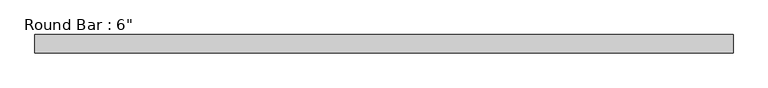
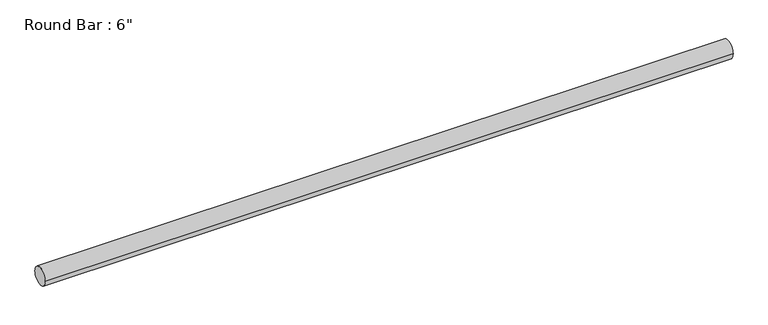
"""IFC4 building model written with IfcOpenShell, lengths in millimetres: beam geometry."""

import ifcopenshell
import ifcopenshell.guid

model = None  # the IFC model being written
_history = None  # IfcOwnerHistory: only IFC2X3 demands one
_inside = {}  # id of a spatial element -> (the spatial element, [elements in it])
_under = {}  # id of a project, library or spatial element -> (it, [spatial elements below it])
_declared = {}  # id of a project -> (the project, [libraries it declares])
_typed = {}  # id of a type object -> (the type object, [elements of that type])
_made_of = {}  # id of a material, layer set ... -> (it, [elements and type objects made of it])


def new_model(schema):
    """Start an empty IFC model of exactly this schema.

    Asked for "IFC4X3", IfcOpenShell would pick the latest addendum, in which some entities
    have other attributes; the version numbers below select the first issue.
    IFC2X3 requires an IfcOwnerHistory on every rooted entity: one is made here for all.
    """
    global model, _history
    if schema == "IFC4X3":
        model = ifcopenshell.file(schema_version=(4, 3, 0, 0))
    else:
        model = ifcopenshell.file(schema=schema)
    _inside.clear()
    _under.clear()
    _declared.clear()
    _typed.clear()
    _made_of.clear()
    _history = None
    if model.schema == "IFC2X3":
        org = make("IfcOrganization", Name="unknown")
        user = make(
            "IfcPersonAndOrganization",
            ThePerson=make("IfcPerson", FamilyName="unknown"),
            TheOrganization=org,
        )
        app = make(
            "IfcApplication",
            ApplicationDeveloper=org,
            Version="unknown",
            ApplicationFullName="unknown",
            ApplicationIdentifier="unknown",
        )
        _history = make(
            "IfcOwnerHistory",
            OwningUser=user,
            OwningApplication=app,
            ChangeAction="ADDED",
            CreationDate=0,
        )
    return model


def make(cls, **values):
    """One entity of the class cls with the attributes given. An attribute that is None is left unset."""
    return model.create_entity(
        cls, **{name: value for name, value in values.items() if value is not None}
    )


def rooted(cls, **values):
    """An entity with a GlobalId (a new one), such as an element, a storey or a relation."""
    return make(cls, GlobalId=ifcopenshell.guid.new(), OwnerHistory=_history, **values)


def si_unit(unit_type, name, prefix=None):
    """IfcSIUnit, for example si_unit("LENGTHUNIT", "METRE", prefix="MILLI")."""
    return make("IfcSIUnit", UnitType=unit_type, Prefix=prefix, Name=name)


def assignment(units):
    """IfcUnitAssignment: the units of a project."""
    return None if units is None else make("IfcUnitAssignment", Units=units)


def point(xyz):
    """IfcCartesianPoint."""
    return None if xyz is None else make("IfcCartesianPoint", Coordinates=xyz)


def direction(xyz):
    """IfcDirection."""
    return None if xyz is None else make("IfcDirection", DirectionRatios=xyz)


def frame(location, z_axis=None, x_axis=None):
    """IfcAxis2Placement3D, a coordinate frame: its origin and axes. An axis left out is left unset."""
    return make(
        "IfcAxis2Placement3D",
        Location=point(location),
        Axis=direction(z_axis),
        RefDirection=direction(x_axis),
    )


def frame_2d(location, x_axis=None):
    """IfcAxis2Placement2D, a coordinate frame in the plane: its origin and x axis."""
    return make(
        "IfcAxis2Placement2D", Location=point(location), RefDirection=direction(x_axis)
    )


def origin():
    """The frame at (0, 0, 0) with its axes left unset."""
    return frame((0.0, 0.0, 0.0))


def origin_2d():
    """The frame at (0, 0) in the plane with its x axis left unset."""
    return frame_2d((0.0, 0.0))


def place(relative_to, where):
    """IfcLocalPlacement: puts the frame where relative to a parent placement (None: the world)."""
    return make(
        "IfcLocalPlacement", PlacementRelTo=relative_to, RelativePlacement=where
    )


def context(
    kind, dimensions, precision=None, world=None, true_north=None, identifier=None
):
    """IfcGeometricRepresentationContext, for example the 3D "Model" context."""
    return make(
        "IfcGeometricRepresentationContext",
        ContextIdentifier=identifier,
        ContextType=kind,
        CoordinateSpaceDimension=dimensions,
        Precision=precision,
        WorldCoordinateSystem=world,
        TrueNorth=true_north,
    )


def project(units=None, contexts=None):
    """IfcProject with its units and contexts."""
    return rooted(
        "IfcProject",
        Name="project",
        RepresentationContexts=contexts,
        UnitsInContext=assignment(units),
    )


def spatial(cls, under=None, at=None, **own):
    """A site, building, storey or space (cls), placed at a placement, below another one or the project."""
    s = rooted(cls, ObjectPlacement=at, **own)
    if under is not None:
        _under.setdefault(under.id(), (under, []))[1].append(s)
    return s


def circle_curve(where, radius):
    """IfcCircle in the frame where."""
    return make("IfcCircle", Position=where, Radius=radius)


def trimmed(basis, trim1, trim2, sense, master):
    """IfcTrimmedCurve: the piece of a basis curve between two trims."""
    return make(
        "IfcTrimmedCurve",
        BasisCurve=basis,
        Trim1=trim1,
        Trim2=trim2,
        SenseAgreement=sense,
        MasterRepresentation=master,
    )


def segment(curve, same_sense, transition):
    """IfcCompositeCurveSegment."""
    return make(
        "IfcCompositeCurveSegment",
        Transition=transition,
        SameSense=same_sense,
        ParentCurve=curve,
    )


def composite_curve(segments, self_intersect=None):
    """IfcCompositeCurve: segments joined end to end."""
    return make("IfcCompositeCurve", Segments=segments, SelfIntersect=self_intersect)


def outline(outer, holes=None, kind="AREA"):
    """IfcArbitraryClosedProfileDef: a profile drawn as a closed curve; with holes, ...WithVoids."""
    if holes is None:
        return make("IfcArbitraryClosedProfileDef", ProfileType=kind, OuterCurve=outer)
    return make(
        "IfcArbitraryProfileDefWithVoids",
        ProfileType=kind,
        OuterCurve=outer,
        InnerCurves=holes,
    )


def extrude(swept, where, along, depth):
    """IfcExtrudedAreaSolid: the profile swept, set in the frame where, extruded along a direction by depth."""
    return make(
        "IfcExtrudedAreaSolid",
        SweptArea=swept,
        Position=where,
        ExtrudedDirection=direction(along),
        Depth=depth,
    )


def shape(context_of_items, identifier, shape_type, items):
    """IfcShapeRepresentation: the items that make up one representation, for example the "Body"."""
    return make(
        "IfcShapeRepresentation",
        ContextOfItems=context_of_items,
        RepresentationIdentifier=identifier,
        RepresentationType=shape_type,
        Items=items,
    )


def source(mapping_origin, context_of_items, identifier, shape_type, items):
    """IfcRepresentationMap: a shape defined once, which mapped items show again and again."""
    return make(
        "IfcRepresentationMap",
        MappingOrigin=mapping_origin,
        MappedRepresentation=shape(context_of_items, identifier, shape_type, items),
    )


def transform(
    local_origin,
    x_axis=None,
    y_axis=None,
    z_axis=None,
    scale=None,
    scale2=None,
    scale3=None,
    uniform=True,
):
    """IfcCartesianTransformationOperator3D, or its non-uniform kind. x_axis, y_axis, z_axis: its Axis1, 2, 3."""
    if uniform:
        return make(
            "IfcCartesianTransformationOperator3D",
            Axis1=direction(x_axis),
            Axis2=direction(y_axis),
            LocalOrigin=point(local_origin),
            Scale=scale,
            Axis3=direction(z_axis),
        )
    return make(
        "IfcCartesianTransformationOperator3DnonUniform",
        Axis1=direction(x_axis),
        Axis2=direction(y_axis),
        LocalOrigin=point(local_origin),
        Scale=scale,
        Axis3=direction(z_axis),
        Scale2=scale2,
        Scale3=scale3,
    )


def mapped(mapping_source, mapping_target):
    """IfcMappedItem: shows the shape of a source again, moved by a transform."""
    return make(
        "IfcMappedItem", MappingSource=mapping_source, MappingTarget=mapping_target
    )


def made_of(thing, what):
    """Note that an element or type object is made of a material, layer set ...; save() writes the relation."""
    if what is not None:
        _made_of.setdefault(what.id(), (what, []))[1].append(thing)
    return thing


def element(
    cls,
    number,
    at=None,
    inside=None,
    cuts=None,
    type_object=None,
    material=None,
    context=None,
    identifier="Body",
    shape_type=None,
    held_by="IfcProductDefinitionShape",
    body=None,
    shapes=None,
    **own,
):
    """One element of the class cls, such as IfcWall. Its Tag is "e" and its number.

    at: its placement. inside: the storey or other place that contains it. cuts: it is an
    opening in that element (IfcRelVoidsElement). A single representation is given by context,
    identifier, shape_type and body (its items); several are given by shapes. held_by: the class
    of the entity that holds the representations. save() writes the other relations.
    """
    e = rooted(cls, Tag="e%d" % number, ObjectPlacement=at, **own)
    if body is not None:
        shapes = [shape(context, identifier, shape_type, body)]
    if shapes is not None:
        e.Representation = make(held_by, Representations=shapes)
    if inside is not None:
        _inside.setdefault(inside.id(), (inside, []))[1].append(e)
    if cuts is not None:
        rooted(
            "IfcRelVoidsElement", RelatingBuildingElement=cuts, RelatedOpeningElement=e
        )
    if type_object is not None:
        _typed.setdefault(type_object.id(), (type_object, []))[1].append(e)
    return made_of(e, material)


def aggregate(whole, parts):
    """IfcRelAggregates: a whole, such as a stair, and the parts it consists of."""
    return rooted("IfcRelAggregates", RelatingObject=whole, RelatedObjects=parts)


def save(model, path):
    """Write the relations noted so far, then the file.

    IfcRelAggregates (storeys below a building ...), IfcRelContainedInSpatialStructure (elements
    in a storey), IfcRelDefinesByType, IfcRelAssociatesMaterial and IfcRelDeclares: one each for
    every whole, place, type object, material and project.
    """
    for whole, parts in _under.values():
        aggregate(whole, parts)
    for where, things in _inside.values():
        rooted(
            "IfcRelContainedInSpatialStructure",
            RelatedElements=things,
            RelatingStructure=where,
        )
    for kind, things in _typed.values():
        rooted("IfcRelDefinesByType", RelatedObjects=things, RelatingType=kind)
    for what, things in _made_of.values():
        rooted("IfcRelAssociatesMaterial", RelatedObjects=things, RelatingMaterial=what)
    for by, libraries in _declared.values():
        rooted("IfcRelDeclares", RelatingContext=by, RelatedDefinitions=libraries)
    model.write(path)


def beam_806e4f8a(model_context):
    return source(origin(), model_context, "Body", "SweptSolid", [
        extrude(outline(composite_curve([segment(trimmed(circle_curve(origin_2d(), 76.2), [point((76.2, 0.0))], [point((-76.2, 0.0))], False, "CARTESIAN"), True, "CONTINUOUS"), segment(trimmed(circle_curve(origin_2d(), 76.2), [point((-76.2, 0.0))], [point((76.2, 0.0))], False, "CARTESIAN"), True, "CONTINUOUS")], self_intersect=False)), frame((-2873.6997336, 0.0, 0.0), z_axis=(1.0, 0.0, 0.0), x_axis=(0.0, 1.0, 0.0)), (0.0, 0.0, 1.0), 5759.367673),
    ])


if __name__ == "__main__":
    model = new_model("IFC4")
    model_context = context("Model", 3, world=origin())
    ifc_project = project(units=[si_unit("LENGTHUNIT", "METRE", prefix="MILLI")], contexts=[model_context])
    site = spatial("IfcSite", under=ifc_project)
    building = spatial("IfcBuilding", under=site)
    placement = place(None, origin())
    beam_shape = beam_806e4f8a(model_context)
    element("IfcBeam", 1, ObjectType="Round Bar : 6\"", at=placement, inside=building, context=model_context, shape_type="MappedRepresentation", body=[
        mapped(beam_shape, transform((0.0, 0.0, 0.0), x_axis=(1.0, 0.0, 0.0), y_axis=(0.0, 1.0, 0.0), z_axis=(0.0, 0.0, 1.0))),
    ])
    save(model, "model.ifc")
